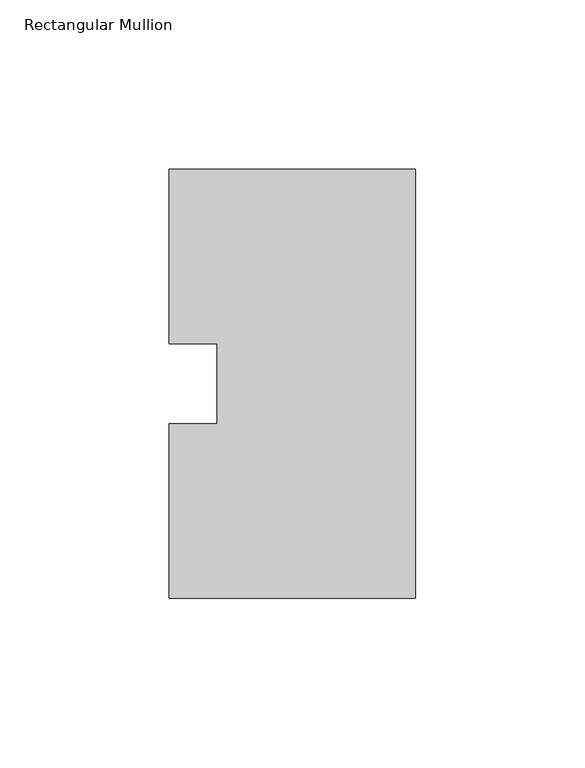
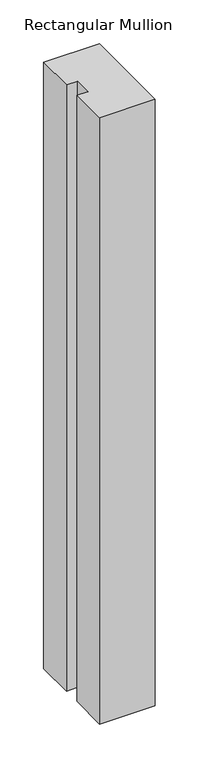
"""IFC4 building model written with IfcOpenShell, lengths in millimetres: member geometry, Rectangular Mullion."""

from ifc_helpers import new_model, si_unit, frame, origin, place, context, project, spatial, polyline, outline, extrude, source, transform, mapped, element, save


def rectangular_mullion_1c627aa3(model_context):
    return source(origin(), model_context, "Body", "SweptSolid", [
        extrude(outline(polyline([(0.0, 127.00635), (0.0, 0.00635), (-73.025, 0.00635), (-73.025, 51.60645), (-58.7375, 51.60645), (-58.7375, 75.40625), (-73.025, 75.40625), (-73.025, 127.00635), (0.0, 127.00635)])), frame((0.0, 0.0, -841.375), z_axis=(0.0, 0.0, 1.0), x_axis=(1.0, 0.0, 0.0)), (0.0, 0.0, 1.0), 841.375),
    ])


if __name__ == "__main__":
    model = new_model("IFC4")
    model_context = context("Model", 3, world=origin())
    ifc_project = project(units=[si_unit("LENGTHUNIT", "METRE", prefix="MILLI")], contexts=[model_context])
    site = spatial("IfcSite", under=ifc_project)
    building = spatial("IfcBuilding", under=site)
    placement = place(None, origin())
    rectangular_mullion_shape = rectangular_mullion_1c627aa3(model_context)
    element("IfcMember", 1, ObjectType="Rectangular Mullion", at=placement, inside=building, context=model_context, shape_type="MappedRepresentation", body=[
        mapped(rectangular_mullion_shape, transform((0.0, 0.0, 0.0), x_axis=(1.0, 0.0, 0.0), y_axis=(0.0, 1.0, 0.0), z_axis=(0.0, 0.0, 1.0))),
    ])
    save(model, "model.ifc")
